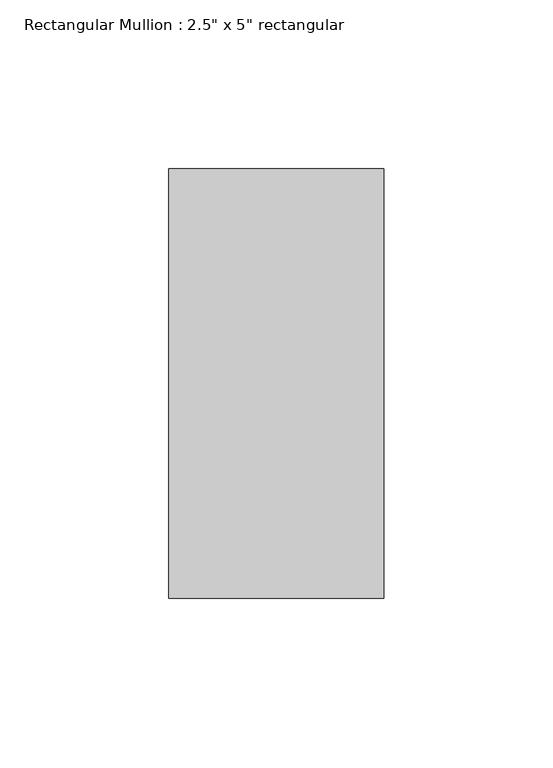
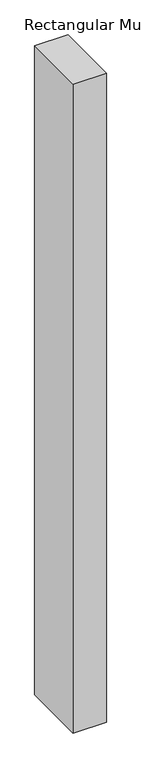
"""IFC4 building model written with IfcOpenShell, lengths in millimetres: member geometry."""

import ifcopenshell
import ifcopenshell.guid

model = None  # the IFC model being written
_history = None  # IfcOwnerHistory: only IFC2X3 demands one
_inside = {}  # id of a spatial element -> (the spatial element, [elements in it])
_under = {}  # id of a project, library or spatial element -> (it, [spatial elements below it])
_declared = {}  # id of a project -> (the project, [libraries it declares])
_typed = {}  # id of a type object -> (the type object, [elements of that type])
_made_of = {}  # id of a material, layer set ... -> (it, [elements and type objects made of it])


def new_model(schema):
    """Start an empty IFC model of exactly this schema.

    Asked for "IFC4X3", IfcOpenShell would pick the latest addendum, in which some entities
    have other attributes; the version numbers below select the first issue.
    IFC2X3 requires an IfcOwnerHistory on every rooted entity: one is made here for all.
    """
    global model, _history
    if schema == "IFC4X3":
        model = ifcopenshell.file(schema_version=(4, 3, 0, 0))
    else:
        model = ifcopenshell.file(schema=schema)
    _inside.clear()
    _under.clear()
    _declared.clear()
    _typed.clear()
    _made_of.clear()
    _history = None
    if model.schema == "IFC2X3":
        org = make("IfcOrganization", Name="unknown")
        user = make(
            "IfcPersonAndOrganization",
            ThePerson=make("IfcPerson", FamilyName="unknown"),
            TheOrganization=org,
        )
        app = make(
            "IfcApplication",
            ApplicationDeveloper=org,
            Version="unknown",
            ApplicationFullName="unknown",
            ApplicationIdentifier="unknown",
        )
        _history = make(
            "IfcOwnerHistory",
            OwningUser=user,
            OwningApplication=app,
            ChangeAction="ADDED",
            CreationDate=0,
        )
    return model


def make(cls, **values):
    """One entity of the class cls with the attributes given. An attribute that is None is left unset."""
    return model.create_entity(
        cls, **{name: value for name, value in values.items() if value is not None}
    )


def rooted(cls, **values):
    """An entity with a GlobalId (a new one), such as an element, a storey or a relation."""
    return make(cls, GlobalId=ifcopenshell.guid.new(), OwnerHistory=_history, **values)


def si_unit(unit_type, name, prefix=None):
    """IfcSIUnit, for example si_unit("LENGTHUNIT", "METRE", prefix="MILLI")."""
    return make("IfcSIUnit", UnitType=unit_type, Prefix=prefix, Name=name)


def assignment(units):
    """IfcUnitAssignment: the units of a project."""
    return None if units is None else make("IfcUnitAssignment", Units=units)


def point(xyz):
    """IfcCartesianPoint."""
    return None if xyz is None else make("IfcCartesianPoint", Coordinates=xyz)


def direction(xyz):
    """IfcDirection."""
    return None if xyz is None else make("IfcDirection", DirectionRatios=xyz)


def frame(location, z_axis=None, x_axis=None):
    """IfcAxis2Placement3D, a coordinate frame: its origin and axes. An axis left out is left unset."""
    return make(
        "IfcAxis2Placement3D",
        Location=point(location),
        Axis=direction(z_axis),
        RefDirection=direction(x_axis),
    )


def origin():
    """The frame at (0, 0, 0) with its axes left unset."""
    return frame((0.0, 0.0, 0.0))


def place(relative_to, where):
    """IfcLocalPlacement: puts the frame where relative to a parent placement (None: the world)."""
    return make(
        "IfcLocalPlacement", PlacementRelTo=relative_to, RelativePlacement=where
    )


def context(
    kind, dimensions, precision=None, world=None, true_north=None, identifier=None
):
    """IfcGeometricRepresentationContext, for example the 3D "Model" context."""
    return make(
        "IfcGeometricRepresentationContext",
        ContextIdentifier=identifier,
        ContextType=kind,
        CoordinateSpaceDimension=dimensions,
        Precision=precision,
        WorldCoordinateSystem=world,
        TrueNorth=true_north,
    )


def project(units=None, contexts=None):
    """IfcProject with its units and contexts."""
    return rooted(
        "IfcProject",
        Name="project",
        RepresentationContexts=contexts,
        UnitsInContext=assignment(units),
    )


def spatial(cls, under=None, at=None, **own):
    """A site, building, storey or space (cls), placed at a placement, below another one or the project."""
    s = rooted(cls, ObjectPlacement=at, **own)
    if under is not None:
        _under.setdefault(under.id(), (under, []))[1].append(s)
    return s


def polyline(points):
    """IfcPolyline through the points."""
    return make("IfcPolyline", Points=[point(p) for p in points])


def outline(outer, holes=None, kind="AREA"):
    """IfcArbitraryClosedProfileDef: a profile drawn as a closed curve; with holes, ...WithVoids."""
    if holes is None:
        return make("IfcArbitraryClosedProfileDef", ProfileType=kind, OuterCurve=outer)
    return make(
        "IfcArbitraryProfileDefWithVoids",
        ProfileType=kind,
        OuterCurve=outer,
        InnerCurves=holes,
    )


def extrude(swept, where, along, depth):
    """IfcExtrudedAreaSolid: the profile swept, set in the frame where, extruded along a direction by depth."""
    return make(
        "IfcExtrudedAreaSolid",
        SweptArea=swept,
        Position=where,
        ExtrudedDirection=direction(along),
        Depth=depth,
    )


def shape(context_of_items, identifier, shape_type, items):
    """IfcShapeRepresentation: the items that make up one representation, for example the "Body"."""
    return make(
        "IfcShapeRepresentation",
        ContextOfItems=context_of_items,
        RepresentationIdentifier=identifier,
        RepresentationType=shape_type,
        Items=items,
    )


def source(mapping_origin, context_of_items, identifier, shape_type, items):
    """IfcRepresentationMap: a shape defined once, which mapped items show again and again."""
    return make(
        "IfcRepresentationMap",
        MappingOrigin=mapping_origin,
        MappedRepresentation=shape(context_of_items, identifier, shape_type, items),
    )


def transform(
    local_origin,
    x_axis=None,
    y_axis=None,
    z_axis=None,
    scale=None,
    scale2=None,
    scale3=None,
    uniform=True,
):
    """IfcCartesianTransformationOperator3D, or its non-uniform kind. x_axis, y_axis, z_axis: its Axis1, 2, 3."""
    if uniform:
        return make(
            "IfcCartesianTransformationOperator3D",
            Axis1=direction(x_axis),
            Axis2=direction(y_axis),
            LocalOrigin=point(local_origin),
            Scale=scale,
            Axis3=direction(z_axis),
        )
    return make(
        "IfcCartesianTransformationOperator3DnonUniform",
        Axis1=direction(x_axis),
        Axis2=direction(y_axis),
        LocalOrigin=point(local_origin),
        Scale=scale,
        Axis3=direction(z_axis),
        Scale2=scale2,
        Scale3=scale3,
    )


def mapped(mapping_source, mapping_target):
    """IfcMappedItem: shows the shape of a source again, moved by a transform."""
    return make(
        "IfcMappedItem", MappingSource=mapping_source, MappingTarget=mapping_target
    )


def made_of(thing, what):
    """Note that an element or type object is made of a material, layer set ...; save() writes the relation."""
    if what is not None:
        _made_of.setdefault(what.id(), (what, []))[1].append(thing)
    return thing


def element(
    cls,
    number,
    at=None,
    inside=None,
    cuts=None,
    type_object=None,
    material=None,
    context=None,
    identifier="Body",
    shape_type=None,
    held_by="IfcProductDefinitionShape",
    body=None,
    shapes=None,
    **own,
):
    """One element of the class cls, such as IfcWall. Its Tag is "e" and its number.

    at: its placement. inside: the storey or other place that contains it. cuts: it is an
    opening in that element (IfcRelVoidsElement). A single representation is given by context,
    identifier, shape_type and body (its items); several are given by shapes. held_by: the class
    of the entity that holds the representations. save() writes the other relations.
    """
    e = rooted(cls, Tag="e%d" % number, ObjectPlacement=at, **own)
    if body is not None:
        shapes = [shape(context, identifier, shape_type, body)]
    if shapes is not None:
        e.Representation = make(held_by, Representations=shapes)
    if inside is not None:
        _inside.setdefault(inside.id(), (inside, []))[1].append(e)
    if cuts is not None:
        rooted(
            "IfcRelVoidsElement", RelatingBuildingElement=cuts, RelatedOpeningElement=e
        )
    if type_object is not None:
        _typed.setdefault(type_object.id(), (type_object, []))[1].append(e)
    return made_of(e, material)


def aggregate(whole, parts):
    """IfcRelAggregates: a whole, such as a stair, and the parts it consists of."""
    return rooted("IfcRelAggregates", RelatingObject=whole, RelatedObjects=parts)


def save(model, path):
    """Write the relations noted so far, then the file.

    IfcRelAggregates (storeys below a building ...), IfcRelContainedInSpatialStructure (elements
    in a storey), IfcRelDefinesByType, IfcRelAssociatesMaterial and IfcRelDeclares: one each for
    every whole, place, type object, material and project.
    """
    for whole, parts in _under.values():
        aggregate(whole, parts)
    for where, things in _inside.values():
        rooted(
            "IfcRelContainedInSpatialStructure",
            RelatedElements=things,
            RelatingStructure=where,
        )
    for kind, things in _typed.values():
        rooted("IfcRelDefinesByType", RelatedObjects=things, RelatingType=kind)
    for what, things in _made_of.values():
        rooted("IfcRelAssociatesMaterial", RelatedObjects=things, RelatingMaterial=what)
    for by, libraries in _declared.values():
        rooted("IfcRelDeclares", RelatingContext=by, RelatedDefinitions=libraries)
    model.write(path)


def member_105f186e(model_context):
    return source(origin(), model_context, "Body", "SweptSolid", [
        extrude(outline(polyline([(31.75, 63.5), (31.75, -63.5), (-31.75, -63.5), (-31.75, 63.5), (31.75, 63.5)])), frame((0.0, 0.0, -1309.6875002), z_axis=(0.0, 0.0, 1.0), x_axis=(1.0, 0.0, 0.0)), (0.0, 0.0, 1.0), 1309.6875002),
    ])


if __name__ == "__main__":
    model = new_model("IFC4")
    model_context = context("Model", 3, world=origin())
    ifc_project = project(units=[si_unit("LENGTHUNIT", "METRE", prefix="MILLI")], contexts=[model_context])
    site = spatial("IfcSite", under=ifc_project)
    building = spatial("IfcBuilding", under=site)
    placement = place(None, origin())
    member_shape = member_105f186e(model_context)
    element("IfcMember", 1, ObjectType="Rectangular Mullion : 2.5\" x 5\" rectangular", at=placement, inside=building, context=model_context, shape_type="MappedRepresentation", body=[
        mapped(member_shape, transform((0.0, 0.0, 0.0), x_axis=(1.0, 0.0, 0.0), y_axis=(0.0, 1.0, 0.0), z_axis=(0.0, 0.0, 1.0))),
    ])
    save(model, "model.ifc")
